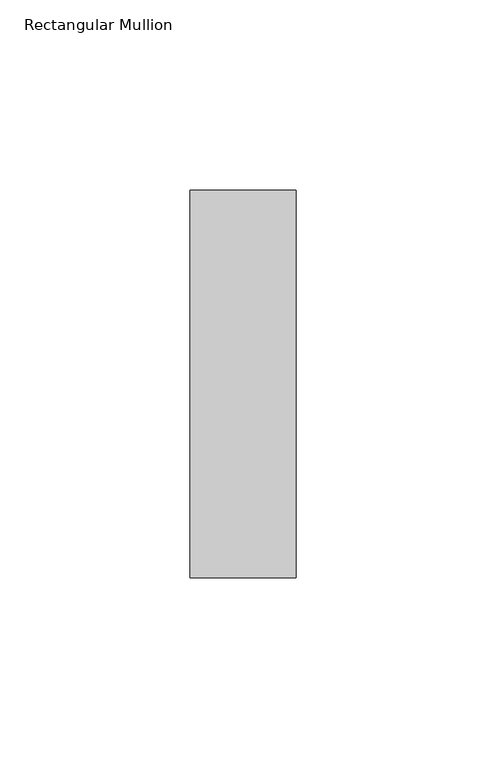
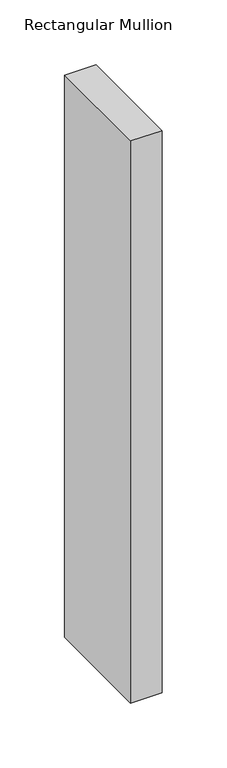
"""IFC4 building model written with IfcOpenShell, lengths in millimetres: member geometry, Rectangular Mullion."""

import ifcopenshell
import ifcopenshell.guid

model = None  # the IFC model being written
_history = None  # IfcOwnerHistory: only IFC2X3 demands one
_inside = {}  # id of a spatial element -> (the spatial element, [elements in it])
_under = {}  # id of a project, library or spatial element -> (it, [spatial elements below it])
_declared = {}  # id of a project -> (the project, [libraries it declares])
_typed = {}  # id of a type object -> (the type object, [elements of that type])
_made_of = {}  # id of a material, layer set ... -> (it, [elements and type objects made of it])


def new_model(schema):
    """Start an empty IFC model of exactly this schema.

    Asked for "IFC4X3", IfcOpenShell would pick the latest addendum, in which some entities
    have other attributes; the version numbers below select the first issue.
    IFC2X3 requires an IfcOwnerHistory on every rooted entity: one is made here for all.
    """
    global model, _history
    if schema == "IFC4X3":
        model = ifcopenshell.file(schema_version=(4, 3, 0, 0))
    else:
        model = ifcopenshell.file(schema=schema)
    _inside.clear()
    _under.clear()
    _declared.clear()
    _typed.clear()
    _made_of.clear()
    _history = None
    if model.schema == "IFC2X3":
        org = make("IfcOrganization", Name="unknown")
        user = make(
            "IfcPersonAndOrganization",
            ThePerson=make("IfcPerson", FamilyName="unknown"),
            TheOrganization=org,
        )
        app = make(
            "IfcApplication",
            ApplicationDeveloper=org,
            Version="unknown",
            ApplicationFullName="unknown",
            ApplicationIdentifier="unknown",
        )
        _history = make(
            "IfcOwnerHistory",
            OwningUser=user,
            OwningApplication=app,
            ChangeAction="ADDED",
            CreationDate=0,
        )
    return model


def make(cls, **values):
    """One entity of the class cls with the attributes given. An attribute that is None is left unset."""
    return model.create_entity(
        cls, **{name: value for name, value in values.items() if value is not None}
    )


def rooted(cls, **values):
    """An entity with a GlobalId (a new one), such as an element, a storey or a relation."""
    return make(cls, GlobalId=ifcopenshell.guid.new(), OwnerHistory=_history, **values)


def si_unit(unit_type, name, prefix=None):
    """IfcSIUnit, for example si_unit("LENGTHUNIT", "METRE", prefix="MILLI")."""
    return make("IfcSIUnit", UnitType=unit_type, Prefix=prefix, Name=name)


def assignment(units):
    """IfcUnitAssignment: the units of a project."""
    return None if units is None else make("IfcUnitAssignment", Units=units)


def point(xyz):
    """IfcCartesianPoint."""
    return None if xyz is None else make("IfcCartesianPoint", Coordinates=xyz)


def direction(xyz):
    """IfcDirection."""
    return None if xyz is None else make("IfcDirection", DirectionRatios=xyz)


def frame(location, z_axis=None, x_axis=None):
    """IfcAxis2Placement3D, a coordinate frame: its origin and axes. An axis left out is left unset."""
    return make(
        "IfcAxis2Placement3D",
        Location=point(location),
        Axis=direction(z_axis),
        RefDirection=direction(x_axis),
    )


def origin():
    """The frame at (0, 0, 0) with its axes left unset."""
    return frame((0.0, 0.0, 0.0))


def place(relative_to, where):
    """IfcLocalPlacement: puts the frame where relative to a parent placement (None: the world)."""
    return make(
        "IfcLocalPlacement", PlacementRelTo=relative_to, RelativePlacement=where
    )


def context(
    kind, dimensions, precision=None, world=None, true_north=None, identifier=None
):
    """IfcGeometricRepresentationContext, for example the 3D "Model" context."""
    return make(
        "IfcGeometricRepresentationContext",
        ContextIdentifier=identifier,
        ContextType=kind,
        CoordinateSpaceDimension=dimensions,
        Precision=precision,
        WorldCoordinateSystem=world,
        TrueNorth=true_north,
    )


def project(units=None, contexts=None):
    """IfcProject with its units and contexts."""
    return rooted(
        "IfcProject",
        Name="project",
        RepresentationContexts=contexts,
        UnitsInContext=assignment(units),
    )


def spatial(cls, under=None, at=None, **own):
    """A site, building, storey or space (cls), placed at a placement, below another one or the project."""
    s = rooted(cls, ObjectPlacement=at, **own)
    if under is not None:
        _under.setdefault(under.id(), (under, []))[1].append(s)
    return s


def polyline(points):
    """IfcPolyline through the points."""
    return make("IfcPolyline", Points=[point(p) for p in points])


def outline(outer, holes=None, kind="AREA"):
    """IfcArbitraryClosedProfileDef: a profile drawn as a closed curve; with holes, ...WithVoids."""
    if holes is None:
        return make("IfcArbitraryClosedProfileDef", ProfileType=kind, OuterCurve=outer)
    return make(
        "IfcArbitraryProfileDefWithVoids",
        ProfileType=kind,
        OuterCurve=outer,
        InnerCurves=holes,
    )


def extrude(swept, where, along, depth):
    """IfcExtrudedAreaSolid: the profile swept, set in the frame where, extruded along a direction by depth."""
    return make(
        "IfcExtrudedAreaSolid",
        SweptArea=swept,
        Position=where,
        ExtrudedDirection=direction(along),
        Depth=depth,
    )


def shape(context_of_items, identifier, shape_type, items):
    """IfcShapeRepresentation: the items that make up one representation, for example the "Body"."""
    return make(
        "IfcShapeRepresentation",
        ContextOfItems=context_of_items,
        RepresentationIdentifier=identifier,
        RepresentationType=shape_type,
        Items=items,
    )


def source(mapping_origin, context_of_items, identifier, shape_type, items):
    """IfcRepresentationMap: a shape defined once, which mapped items show again and again."""
    return make(
        "IfcRepresentationMap",
        MappingOrigin=mapping_origin,
        MappedRepresentation=shape(context_of_items, identifier, shape_type, items),
    )


def transform(
    local_origin,
    x_axis=None,
    y_axis=None,
    z_axis=None,
    scale=None,
    scale2=None,
    scale3=None,
    uniform=True,
):
    """IfcCartesianTransformationOperator3D, or its non-uniform kind. x_axis, y_axis, z_axis: its Axis1, 2, 3."""
    if uniform:
        return make(
            "IfcCartesianTransformationOperator3D",
            Axis1=direction(x_axis),
            Axis2=direction(y_axis),
            LocalOrigin=point(local_origin),
            Scale=scale,
            Axis3=direction(z_axis),
        )
    return make(
        "IfcCartesianTransformationOperator3DnonUniform",
        Axis1=direction(x_axis),
        Axis2=direction(y_axis),
        LocalOrigin=point(local_origin),
        Scale=scale,
        Axis3=direction(z_axis),
        Scale2=scale2,
        Scale3=scale3,
    )


def mapped(mapping_source, mapping_target):
    """IfcMappedItem: shows the shape of a source again, moved by a transform."""
    return make(
        "IfcMappedItem", MappingSource=mapping_source, MappingTarget=mapping_target
    )


def made_of(thing, what):
    """Note that an element or type object is made of a material, layer set ...; save() writes the relation."""
    if what is not None:
        _made_of.setdefault(what.id(), (what, []))[1].append(thing)
    return thing


def element(
    cls,
    number,
    at=None,
    inside=None,
    cuts=None,
    type_object=None,
    material=None,
    context=None,
    identifier="Body",
    shape_type=None,
    held_by="IfcProductDefinitionShape",
    body=None,
    shapes=None,
    **own,
):
    """One element of the class cls, such as IfcWall. Its Tag is "e" and its number.

    at: its placement. inside: the storey or other place that contains it. cuts: it is an
    opening in that element (IfcRelVoidsElement). A single representation is given by context,
    identifier, shape_type and body (its items); several are given by shapes. held_by: the class
    of the entity that holds the representations. save() writes the other relations.
    """
    e = rooted(cls, Tag="e%d" % number, ObjectPlacement=at, **own)
    if body is not None:
        shapes = [shape(context, identifier, shape_type, body)]
    if shapes is not None:
        e.Representation = make(held_by, Representations=shapes)
    if inside is not None:
        _inside.setdefault(inside.id(), (inside, []))[1].append(e)
    if cuts is not None:
        rooted(
            "IfcRelVoidsElement", RelatingBuildingElement=cuts, RelatedOpeningElement=e
        )
    if type_object is not None:
        _typed.setdefault(type_object.id(), (type_object, []))[1].append(e)
    return made_of(e, material)


def aggregate(whole, parts):
    """IfcRelAggregates: a whole, such as a stair, and the parts it consists of."""
    return rooted("IfcRelAggregates", RelatingObject=whole, RelatedObjects=parts)


def save(model, path):
    """Write the relations noted so far, then the file.

    IfcRelAggregates (storeys below a building ...), IfcRelContainedInSpatialStructure (elements
    in a storey), IfcRelDefinesByType, IfcRelAssociatesMaterial and IfcRelDeclares: one each for
    every whole, place, type object, material and project.
    """
    for whole, parts in _under.values():
        aggregate(whole, parts)
    for where, things in _inside.values():
        rooted(
            "IfcRelContainedInSpatialStructure",
            RelatedElements=things,
            RelatingStructure=where,
        )
    for kind, things in _typed.values():
        rooted("IfcRelDefinesByType", RelatedObjects=things, RelatingType=kind)
    for what, things in _made_of.values():
        rooted("IfcRelAssociatesMaterial", RelatedObjects=things, RelatingMaterial=what)
    for by, libraries in _declared.values():
        rooted("IfcRelDeclares", RelatingContext=by, RelatedDefinitions=libraries)
    model.write(path)


def rectangular_mullion_7260f7c6(model_context):
    return source(origin(), model_context, "Body", "SweptSolid", [
        extrude(outline(polyline([(0.0, -51.0), (-28.0, -51.0), (-28.0, 51.0), (0.0, 51.0), (0.0, -51.0)])), frame((0.0, 0.0, -529.3378484), z_axis=(0.0, 0.0, 1.0), x_axis=(1.0, 0.0, 0.0)), (0.0, 0.0, 1.0), 529.3378484),
    ])


if __name__ == "__main__":
    model = new_model("IFC4")
    model_context = context("Model", 3, world=origin())
    ifc_project = project(units=[si_unit("LENGTHUNIT", "METRE", prefix="MILLI")], contexts=[model_context])
    site = spatial("IfcSite", under=ifc_project)
    building = spatial("IfcBuilding", under=site)
    placement = place(None, origin())
    rectangular_mullion_shape = rectangular_mullion_7260f7c6(model_context)
    element("IfcMember", 1, ObjectType="Rectangular Mullion", at=placement, inside=building, context=model_context, shape_type="MappedRepresentation", body=[
        mapped(rectangular_mullion_shape, transform((0.0, 0.0, 0.0), x_axis=(1.0, 0.0, 0.0), y_axis=(0.0, 1.0, 0.0), z_axis=(0.0, 0.0, 1.0))),
    ])
    save(model, "model.ifc")
